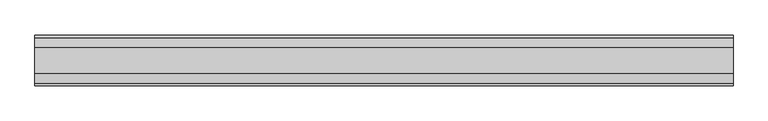
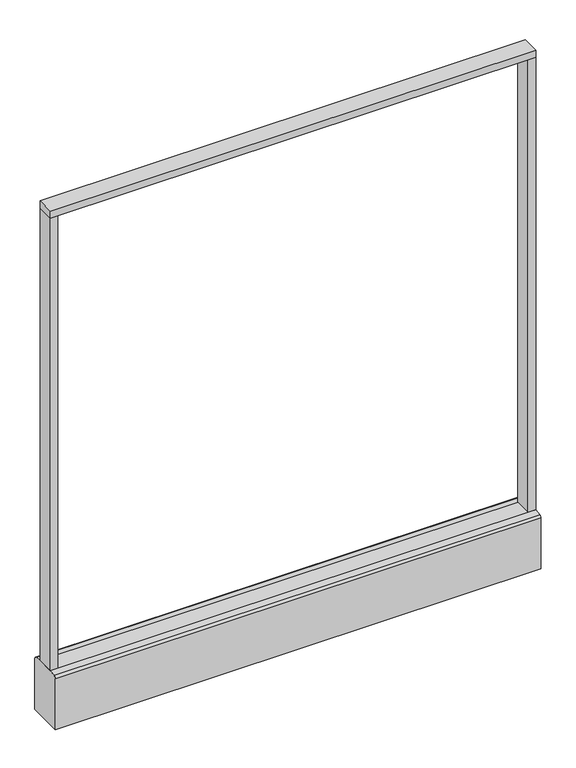
"""IFC4 building model written with IfcOpenShell, lengths in millimetres: furniture geometry."""

from ifc_helpers import new_model, si_unit, point, frame, frame_2d, origin, origin_with_axes, place, context, project, spatial, polyline, circle_curve, trimmed, segment, composite_curve, outline, extrude, source, transform, mapped, element, save


def furniture_a6729d35(model_context):
    return source(origin(), model_context, "Body", "SweptSolid", [
        extrude(outline(polyline([(609.6, -22.225), (-609.6, -22.225), (-609.6, 22.225), (609.6, 22.225), (609.6, -22.225)])), frame((0.0, 0.0, 1352.55), z_axis=(0.0, 0.0, 1.0), x_axis=(1.0, 0.0, 0.0)), (0.0, 0.0, 1.0), 19.05),
        extrude(outline(composite_curve([segment(trimmed(circle_curve(frame_2d((-533.4, 0.0)), 23.415625), [point((-556.815625, 0.0))], [point((-509.984375, 0.0))], False, "CARTESIAN"), True, "CONTINUOUS"), segment(trimmed(circle_curve(frame_2d((-533.4, 0.0)), 23.415625), [point((-509.984375, 0.0))], [point((-556.815625, 0.0))], False, "CARTESIAN"), True, "CONTINUOUS")], self_intersect=False)), origin_with_axes(), (0.0, 0.0, 1.0), 6.35),
        extrude(outline(composite_curve([segment(trimmed(circle_curve(frame_2d((533.4, 0.0)), 23.415625), [point((509.984375, 0.0))], [point((556.815625, 0.0))], False, "CARTESIAN"), True, "CONTINUOUS"), segment(trimmed(circle_curve(frame_2d((533.4, 0.0)), 23.415625), [point((556.815625, 0.0))], [point((509.984375, 0.0))], False, "CARTESIAN"), True, "CONTINUOUS")], self_intersect=False)), origin_with_axes(), (0.0, 0.0, 1.0), 6.35),
        extrude(outline(polyline([(-590.5500091, -22.225), (-609.6, -22.225), (-609.6, 22.225), (-590.5500091, 22.225), (-590.5500091, -22.225)])), frame((0.0, 0.0, 152.4), z_axis=(0.0, 0.0, 1.0), x_axis=(1.0, 0.0, 0.0)), (0.0, 0.0, 1.0), 1200.15),
        extrude(outline(polyline([(609.6, -22.225), (590.5500091, -22.225), (590.5500091, 22.225), (609.6, 22.225), (609.6, -22.225)])), frame((0.0, 0.0, 152.4), z_axis=(0.0, 0.0, 1.0), x_axis=(1.0, 0.0, 0.0)), (0.0, 0.0, 1.0), 1200.15),
        extrude(outline(composite_curve([segment(polyline([(-22.225, 152.4), (22.225, 152.4), (39.43219, 149.94183)]), True, "CONTINUOUS"), segment(trimmed(circle_curve(frame_2d((38.605678, 144.1562464)), 5.844322), [point((39.43219, 149.94183))], [point((44.45, 144.1562464))], False, "CARTESIAN"), True, "CONTINUOUS"), segment(polyline([(44.45, 144.1562464), (44.45, 9.525), (-44.4433083, 9.525), (-44.4433083, 144.1572033)]), True, "CONTINUOUS"), segment(trimmed(circle_curve(frame_2d((-38.5989863, 144.1572033)), 5.844322), [point((-44.4433083, 144.1572033))], [point((-39.4222979, 149.9432432))], False, "CARTESIAN"), True, "CONTINUOUS"), segment(polyline([(-39.4222979, 149.9432432), (-22.225, 152.4)]), True, "CONTINUOUS")], self_intersect=False)), frame((-609.6, 0.0, 0.0), z_axis=(1.0, 0.0, 0.0), x_axis=(0.0, 1.0, 0.0)), (0.0, 0.0, 1.0), 1219.2),
        extrude(outline(composite_curve([segment(trimmed(circle_curve(frame_2d((-533.4, 0.0)), 5.55625), [point((-538.95625, 0.0))], [point((-527.84375, 0.0))], False, "CARTESIAN"), True, "CONTINUOUS"), segment(trimmed(circle_curve(frame_2d((-533.4, 0.0)), 5.55625), [point((-527.84375, 0.0))], [point((-538.95625, 0.0))], False, "CARTESIAN"), True, "CONTINUOUS")], self_intersect=False)), frame((0.0, 0.0, 6.35), z_axis=(0.0, 0.0, 1.0), x_axis=(1.0, 0.0, 0.0)), (0.0, 0.0, 1.0), 3.175),
        extrude(outline(composite_curve([segment(trimmed(circle_curve(frame_2d((533.4, 0.0)), 5.55625), [point((527.84375, 0.0))], [point((538.95625, 0.0))], False, "CARTESIAN"), True, "CONTINUOUS"), segment(trimmed(circle_curve(frame_2d((533.4, 0.0)), 5.55625), [point((538.95625, 0.0))], [point((527.84375, 0.0))], False, "CARTESIAN"), True, "CONTINUOUS")], self_intersect=False)), frame((0.0, 0.0, 6.35), z_axis=(0.0, 0.0, 1.0), x_axis=(1.0, 0.0, 0.0)), (0.0, 0.0, 1.0), 3.175),
    ])


if __name__ == "__main__":
    model = new_model("IFC4")
    model_context = context("Model", 3, world=origin())
    ifc_project = project(units=[si_unit("LENGTHUNIT", "METRE", prefix="MILLI")], contexts=[model_context])
    site = spatial("IfcSite", under=ifc_project)
    building = spatial("IfcBuilding", under=site)
    placement = place(None, origin())
    furniture_shape = furniture_a6729d35(model_context)
    element("IfcFurniture", 1, at=placement, inside=building, context=model_context, shape_type="MappedRepresentation", body=[
        mapped(furniture_shape, transform((0.0, 0.0, 0.0), x_axis=(1.0, 0.0, 0.0), y_axis=(0.0, 1.0, 0.0), z_axis=(0.0, 0.0, 1.0))),
    ])
    save(model, "model.ifc")
